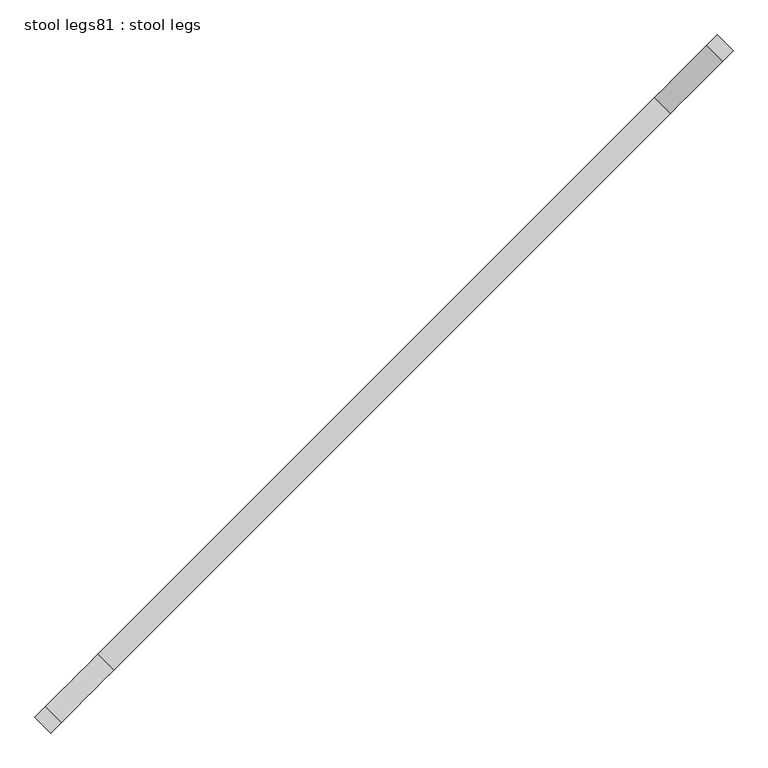
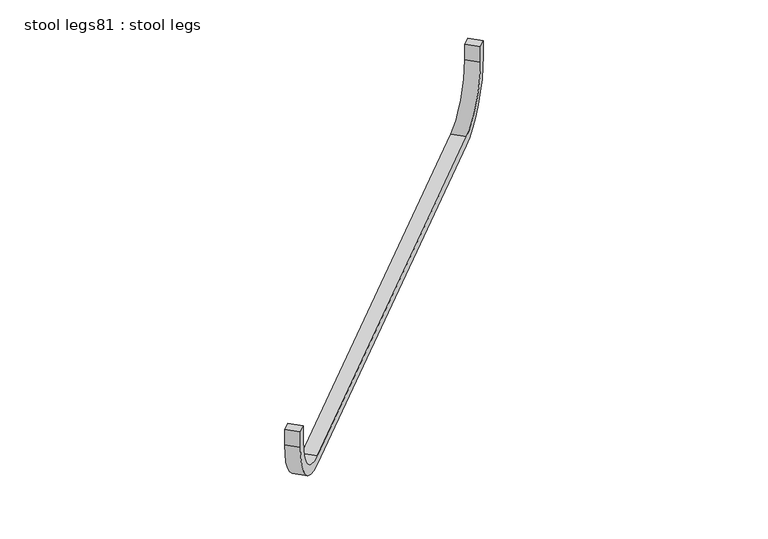
"""IFC4 building model written with IfcOpenShell, lengths in millimetres: furniture geometry, stool legs81 : stool legs."""

from ifc_helpers import new_model, si_unit, point, frame, frame_2d, origin, place, context, project, spatial, polyline, circle_curve, trimmed, segment, composite_curve, outline, extrude, source, transform, mapped, element, save


def stool_legs81_stool_legs_6229f758(model_context):
    return source(origin(), model_context, "Body", "SweptSolid", [
        extrude(outline(composite_curve([segment(polyline([(-44.45, 0.0), (0.0, 0.0), (0.0, -25.4), (-44.45, -25.4)]), True, "CONTINUOUS"), segment(trimmed(circle_curve(frame_2d((-44.45, 127.0)), 152.4), [point((-44.45, -25.4))], [point((-196.85, 127.0))], False, "CARTESIAN"), True, "CONTINUOUS"), segment(polyline([(-196.85, 127.0), (-196.85, 1473.1999999)]), True, "CONTINUOUS"), segment(trimmed(circle_curve(frame_2d((-44.45, 1473.1999999)), 152.4), [point((-196.85, 1473.1999999))], [point((-44.45, 1625.6))], False, "CARTESIAN"), True, "CONTINUOUS"), segment(polyline([(-44.45, 1625.6), (0.0, 1625.6), (0.0, 1600.2), (-44.45, 1600.2)]), True, "CONTINUOUS"), segment(trimmed(circle_curve(frame_2d((-44.45, 1473.1999999)), 127.0), [point((-44.45, 1600.2))], [point((-171.45, 1473.1999999))], True, "CARTESIAN"), True, "CONTINUOUS"), segment(polyline([(-171.45, 1473.1999999), (-171.45, 127.0)]), True, "CONTINUOUS"), segment(trimmed(circle_curve(frame_2d((-44.45, 127.0)), 127.0), [point((-171.45, 127.0))], [point((-44.45, 0.0))], True, "CARTESIAN"), True, "CONTINUOUS")], self_intersect=False)), frame((-123562.7700808, -66297.3756509, 457.2), z_axis=(-0.7071067811865617, 0.7071067811865334, 0.0), x_axis=(0.0, 0.0, 1.0)), (0.0, 0.0, 1.0), 38.1),
    ])


if __name__ == "__main__":
    model = new_model("IFC4")
    model_context = context("Model", 3, world=origin())
    ifc_project = project(units=[si_unit("LENGTHUNIT", "METRE", prefix="MILLI")], contexts=[model_context])
    site = spatial("IfcSite", under=ifc_project)
    building = spatial("IfcBuilding", under=site)
    placement = place(None, origin())
    stool_legs81_stool_legs_shape = stool_legs81_stool_legs_6229f758(model_context)
    element("IfcFurniture", 1, ObjectType="stool legs81 : stool legs", at=placement, inside=building, context=model_context, shape_type="MappedRepresentation", body=[
        mapped(stool_legs81_stool_legs_shape, transform((0.0, 0.0, 0.0), x_axis=(1.0, 0.0, 0.0), y_axis=(0.0, 1.0, 0.0), z_axis=(0.0, 0.0, 1.0))),
    ])
    save(model, "model.ifc")
